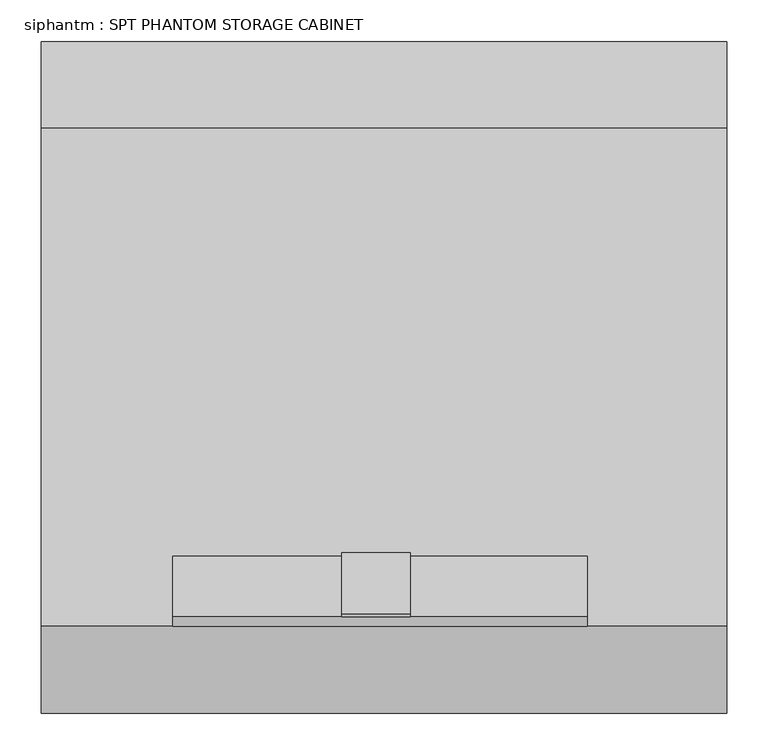
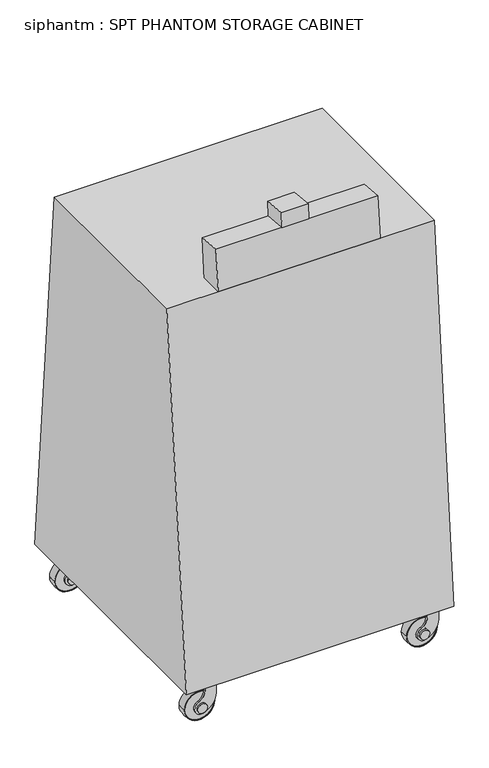
"""IFC4 building model written with IfcOpenShell, lengths in millimetres: proxy geometry, siphantm : SPT PHANTOM STORAGE CABINET."""

from ifc_helpers import new_model, si_unit, point, frame, frame_2d, origin, place, context, project, spatial, polyline, circle_curve, ellipse_curve, trimmed, segment, composite_curve, outline, extrude, source, transform, mapped, element, save
from ifc_brep_helpers import plane_surface, revolved_surface, advanced_brep


def siphantm_spt_phantom_storage_cabinet_1a4a9507(model_context):
    return source(origin(), model_context, "Body", "SolidModel", [
        advanced_brep(
        [(625.2749648, -755.1448474, 48.0465135), (718.8870429, -755.1448474, 48.0465135), (718.8870429, -783.1448474, 48.0465135), (625.2749648, -783.1448474, 48.0465135), (627.0810038, -783.1448474, 48.0465135), (717.0810038, -783.1448474, 48.0465135), (717.0810038, -755.1448474, 48.0465135), (627.0810038, -755.1448474, 48.0465135)],
        [
            (0, 1, circle_curve(frame((672.0810038, -755.1448474, 48.0465135), z_axis=(0.0, -1.0, 0.0), x_axis=(1.0, 0.0, 0.0)), 46.8060391)),
            (1, 2, circle_curve(frame((640.5052509, -769.1448474, 48.0465135), z_axis=(0.0, 0.0, -1.0), x_axis=(-1.0, 0.0, 0.0)), 79.6222664)),
            (2, 3, circle_curve(frame((672.0810038, -783.1448474, 48.0465135), z_axis=(0.0, 1.0, 0.0), x_axis=(1.0, 0.0, 0.0)), 46.8060391)),
            (3, 0, circle_curve(frame((703.6567568, -769.1448474, 48.0465135), z_axis=(0.0, 0.0, -1.0), x_axis=(1.0, 0.0, 0.0)), 79.6222664)),
            (4, 5, circle_curve(frame((672.0810038, -783.1448474, 48.0465135), z_axis=(0.0, -1.0, 0.0), x_axis=(1.0, 0.0, 0.0)), 45.0)),
            (5, 6),
            (6, 7, circle_curve(frame((672.0810038, -755.1448474, 48.0465135), z_axis=(0.0, 1.0, 0.0), x_axis=(1.0, 0.0, 0.0)), 45.0)),
            (7, 4),
            (2, 3, circle_curve(frame((672.0810038, -783.1448474, 48.0465135), z_axis=(0.0, -1.0, 0.0), x_axis=(-1.0, 0.0, 0.0)), 46.8060391)),
            (4, 5, circle_curve(frame((672.0810038, -783.1448474, 48.0465135), z_axis=(0.0, 1.0, 0.0), x_axis=(-1.0, 0.0, 0.0)), 45.0)),
            (1, 0, circle_curve(frame((672.0810038, -755.1448474, 48.0465135), z_axis=(0.0, -1.0, 0.0), x_axis=(-1.0, 0.0, 0.0)), 46.8060391)),
            (6, 7, circle_curve(frame((672.0810038, -755.1448474, 48.0465135), z_axis=(0.0, -1.0, 0.0), x_axis=(-1.0, 0.0, 0.0)), 45.0)),
        ],
        [
            revolved_surface(trimmed(ellipse_curve(frame((640.5052509, -769.1448474, 48.0465135), z_axis=(0.0, 0.0, 1.0), x_axis=(-1.0, 0.0, 0.0)), 79.6222664, 79.6222664), [point((718.8870429, -783.1448474, 48.0465135))], [point((718.8870429, -755.1448474, 48.0465135))], True, "CARTESIAN"), (672.0810038, -762.6220561, 48.0465135), (0.0, 1.0, 0.0)),
            revolved_surface(polyline([(717.0810038, -755.1448474, 48.0465135), (717.0810038, -783.1448474, 48.0465135)]), (672.0810038, -762.6220561, 48.0465135), (0.0, 1.0, 0.0)),
            plane_surface(frame((672.0810038, -783.1448474, 48.0465135), z_axis=(0.0, -1.0, 0.0), x_axis=(-1.0, 0.0, 0.0))),
            revolved_surface(trimmed(ellipse_curve(frame((703.6567568, -769.1448474, 48.0465135), z_axis=(0.0, 0.0, -1.0), x_axis=(1.0, 0.0, 0.0)), 79.6222664, 79.6222664), [point((625.2749648, -783.1448474, 48.0465135))], [point((625.2749648, -755.1448474, 48.0465135))], True, "CARTESIAN"), (672.0810038, -762.6220561, 48.0465135), (0.0, 1.0, 0.0)),
            plane_surface(frame((672.0810038, -755.1448474, 48.0465135), z_axis=(0.0, 1.0, 0.0), x_axis=(-1.0, 0.0, 0.0))),
            revolved_surface(polyline([(627.0810038, -755.1448474, 48.0465135), (627.0810038, -783.1448474, 48.0465135)]), (672.0810038, -762.6220561, 48.0465135), (0.0, 1.0, 0.0)),
        ],
        [
            (0, [[1, 2, 3, 4]]),
            (1, [[5, 6, 7, 8]]),
            (2, [[9, -3], [10, -5]]),
            (3, [[11, -4, -9, -2]]),
            (4, [[-11, -1], [12, -7]]),
            (5, [[-10, -8, -12, -6]]),
        ],
    ),
        extrude(outline(composite_curve([segment(polyline([(29.163577, 681.2698399), (34.2439835, 690.0693622)]), True, "CONTINUOUS"), segment(trimmed(circle_curve(frame_2d((81.8753807, 662.5693622)), 55.0), [point((34.2439835, 690.0693622))], [point((81.8753807, 717.5693622))], False, "CARTESIAN"), True, "CONTINUOUS"), segment(polyline([(81.8753807, 717.5693622), (125.0465135, 717.5693622), (125.0465135, 682.5693622), (99.3530944, 682.5693622)]), True, "CONTINUOUS"), segment(trimmed(circle_curve(frame_2d((99.3530944, 644.9207414)), 37.6486207), [point((99.3530944, 682.5693622))], [point((68.1369892, 665.9676751))], True, "CARTESIAN"), True, "CONTINUOUS"), segment(trimmed(circle_curve(frame_2d((48.0465135, 672.0810038)), 21.0), [point((68.1369892, 665.9676751))], [point((29.163577, 681.2698399))], False, "CARTESIAN"), True, "CONTINUOUS")], self_intersect=False)), frame((0.0, -794.1220561, 0.0), z_axis=(0.0, 1.0, 0.0), x_axis=(0.0, 0.0, 1.0)), (0.0, 0.0, 1.0), 6.0),
        extrude(outline(polyline([(717.5693622, -750.1220561), (717.5693622, -788.1220561), (682.5693622, -788.1220561), (682.5693622, -750.1220561), (717.5693622, -750.1220561)])), frame((0.0, 0.0, 119.0465135), z_axis=(0.0, 0.0, 1.0), x_axis=(1.0, 0.0, 0.0)), (0.0, 0.0, 1.0), 6.0),
        extrude(outline(composite_curve([segment(polyline([(29.163577, 681.2698399), (34.2439835, 690.0693622)]), True, "CONTINUOUS"), segment(trimmed(circle_curve(frame_2d((81.8753807, 662.5693622)), 55.0), [point((34.2439835, 690.0693622))], [point((81.8753807, 717.5693622))], False, "CARTESIAN"), True, "CONTINUOUS"), segment(polyline([(81.8753807, 717.5693622), (125.0465135, 717.5693622), (125.0465135, 682.5693622), (99.3530944, 682.5693622)]), True, "CONTINUOUS"), segment(trimmed(circle_curve(frame_2d((99.3530944, 644.9207414)), 37.6486207), [point((99.3530944, 682.5693622))], [point((68.1369892, 665.9676751))], True, "CARTESIAN"), True, "CONTINUOUS"), segment(trimmed(circle_curve(frame_2d((48.0465135, 672.0810038)), 21.0), [point((68.1369892, 665.9676751))], [point((29.163577, 681.2698399))], False, "CARTESIAN"), True, "CONTINUOUS")], self_intersect=False)), frame((0.0, -750.1220561, 0.0), z_axis=(0.0, 1.0, 0.0), x_axis=(0.0, 0.0, 1.0)), (0.0, 0.0, 1.0), 6.0),
        extrude(outline(composite_curve([segment(trimmed(circle_curve(frame_2d((48.0465135, 672.0810038)), 15.0), [point((48.0465135, 687.0810038))], [point((48.0465135, 657.0810038))], False, "CARTESIAN"), True, "CONTINUOUS"), segment(trimmed(circle_curve(frame_2d((48.0465135, 672.0810038)), 15.0), [point((48.0465135, 657.0810038))], [point((48.0465135, 687.0810038))], False, "CARTESIAN"), True, "CONTINUOUS")], self_intersect=False)), frame((0.0, -800.1220561, 0.0), z_axis=(0.0, 1.0, 0.0), x_axis=(0.0, 0.0, 1.0)), (0.0, 0.0, 1.0), 62.0),
        extrude(outline(composite_curve([segment(trimmed(circle_curve(frame_2d((48.0465135, 672.0810038)), 45.0), [point((48.0465135, 717.0810038))], [point((48.0465135, 627.0810038))], False, "CARTESIAN"), True, "CONTINUOUS"), segment(trimmed(circle_curve(frame_2d((48.0465135, 672.0810038)), 45.0), [point((48.0465135, 627.0810038))], [point((48.0465135, 717.0810038))], False, "CARTESIAN"), True, "CONTINUOUS")], self_intersect=False)), frame((0.0, -781.6220561, 0.0), z_axis=(0.0, 1.0, 0.0), x_axis=(0.0, 0.0, 1.0)), (0.0, 0.0, 1.0), 25.0),
        advanced_brep(
        [(625.2749648, -62.9948474, 48.0465135), (718.8870429, -62.9948474, 48.0465135), (718.8870429, -90.9948474, 48.0465135), (625.2749648, -90.9948474, 48.0465135), (627.0810038, -90.9948474, 48.0465135), (717.0810038, -90.9948474, 48.0465135), (717.0810038, -62.9948474, 48.0465135), (627.0810038, -62.9948474, 48.0465135)],
        [
            (0, 1, circle_curve(frame((672.0810038, -62.9948474, 48.0465135), z_axis=(0.0, -1.0, 0.0), x_axis=(1.0, 0.0, 0.0)), 46.8060391)),
            (1, 2, circle_curve(frame((640.5052509, -76.9948474, 48.0465135), z_axis=(0.0, 0.0, -1.0), x_axis=(-1.0, 0.0, 0.0)), 79.6222664)),
            (2, 3, circle_curve(frame((672.0810038, -90.9948474, 48.0465135), z_axis=(0.0, 1.0, 0.0), x_axis=(1.0, 0.0, 0.0)), 46.8060391)),
            (3, 0, circle_curve(frame((703.6567568, -76.9948474, 48.0465135), z_axis=(0.0, 0.0, -1.0), x_axis=(1.0, 0.0, 0.0)), 79.6222664)),
            (4, 5, circle_curve(frame((672.0810038, -90.9948474, 48.0465135), z_axis=(0.0, -1.0, 0.0), x_axis=(1.0, 0.0, 0.0)), 45.0)),
            (5, 6),
            (6, 7, circle_curve(frame((672.0810038, -62.9948474, 48.0465135), z_axis=(0.0, 1.0, 0.0), x_axis=(1.0, 0.0, 0.0)), 45.0)),
            (7, 4),
            (2, 3, circle_curve(frame((672.0810038, -90.9948474, 48.0465135), z_axis=(0.0, -1.0, 0.0), x_axis=(-1.0, 0.0, 0.0)), 46.8060391)),
            (4, 5, circle_curve(frame((672.0810038, -90.9948474, 48.0465135), z_axis=(0.0, 1.0, 0.0), x_axis=(-1.0, 0.0, 0.0)), 45.0)),
            (1, 0, circle_curve(frame((672.0810038, -62.9948474, 48.0465135), z_axis=(0.0, -1.0, 0.0), x_axis=(-1.0, 0.0, 0.0)), 46.8060391)),
            (6, 7, circle_curve(frame((672.0810038, -62.9948474, 48.0465135), z_axis=(0.0, -1.0, 0.0), x_axis=(-1.0, 0.0, 0.0)), 45.0)),
        ],
        [
            revolved_surface(trimmed(ellipse_curve(frame((640.5052509, -76.9948474, 48.0465135), z_axis=(0.0, 0.0, 1.0), x_axis=(-1.0, 0.0, 0.0)), 79.6222664, 79.6222664), [point((718.8870429, -90.9948474, 48.0465135))], [point((718.8870429, -62.9948474, 48.0465135))], True, "CARTESIAN"), (672.0810038, -70.4720561, 48.0465135), (0.0, 1.0, 0.0)),
            revolved_surface(polyline([(717.0810038, -62.9948474, 48.0465135), (717.0810038, -90.9948474, 48.0465135)]), (672.0810038, -70.4720561, 48.0465135), (0.0, 1.0, 0.0)),
            plane_surface(frame((672.0810038, -90.9948474, 48.0465135), z_axis=(0.0, -1.0, 0.0), x_axis=(-1.0, 0.0, 0.0))),
            revolved_surface(trimmed(ellipse_curve(frame((703.6567568, -76.9948474, 48.0465135), z_axis=(0.0, 0.0, -1.0), x_axis=(1.0, 0.0, 0.0)), 79.6222664, 79.6222664), [point((625.2749648, -90.9948474, 48.0465135))], [point((625.2749648, -62.9948474, 48.0465135))], True, "CARTESIAN"), (672.0810038, -70.4720561, 48.0465135), (0.0, 1.0, 0.0)),
            plane_surface(frame((672.0810038, -62.9948474, 48.0465135), z_axis=(0.0, 1.0, 0.0), x_axis=(-1.0, 0.0, 0.0))),
            revolved_surface(polyline([(627.0810038, -62.9948474, 48.0465135), (627.0810038, -90.9948474, 48.0465135)]), (672.0810038, -70.4720561, 48.0465135), (0.0, 1.0, 0.0)),
        ],
        [
            (0, [[1, 2, 3, 4]]),
            (1, [[5, 6, 7, 8]]),
            (2, [[9, -3], [10, -5]]),
            (3, [[11, -4, -9, -2]]),
            (4, [[-11, -1], [12, -7]]),
            (5, [[-10, -8, -12, -6]]),
        ],
    ),
        extrude(outline(composite_curve([segment(polyline([(29.163577, 681.2698399), (34.2439835, 690.0693622)]), True, "CONTINUOUS"), segment(trimmed(circle_curve(frame_2d((81.8753807, 662.5693622)), 55.0), [point((34.2439835, 690.0693622))], [point((81.8753807, 717.5693622))], False, "CARTESIAN"), True, "CONTINUOUS"), segment(polyline([(81.8753807, 717.5693622), (125.0465135, 717.5693622), (125.0465135, 682.5693622), (99.3530944, 682.5693622)]), True, "CONTINUOUS"), segment(trimmed(circle_curve(frame_2d((99.3530944, 644.9207414)), 37.6486207), [point((99.3530944, 682.5693622))], [point((68.1369892, 665.9676751))], True, "CARTESIAN"), True, "CONTINUOUS"), segment(trimmed(circle_curve(frame_2d((48.0465135, 672.0810038)), 21.0), [point((68.1369892, 665.9676751))], [point((29.163577, 681.2698399))], False, "CARTESIAN"), True, "CONTINUOUS")], self_intersect=False)), frame((0.0, -101.9720561, 0.0), z_axis=(0.0, 1.0, 0.0), x_axis=(0.0, 0.0, 1.0)), (0.0, 0.0, 1.0), 6.0),
        extrude(outline(polyline([(717.5693622, -57.9720561), (717.5693622, -95.9720561), (682.5693622, -95.9720561), (682.5693622, -57.9720561), (717.5693622, -57.9720561)])), frame((0.0, 0.0, 119.0465135), z_axis=(0.0, 0.0, 1.0), x_axis=(1.0, 0.0, 0.0)), (0.0, 0.0, 1.0), 6.0),
        extrude(outline(composite_curve([segment(polyline([(29.163577, 681.2698399), (34.2439835, 690.0693622)]), True, "CONTINUOUS"), segment(trimmed(circle_curve(frame_2d((81.8753807, 662.5693622)), 55.0), [point((34.2439835, 690.0693622))], [point((81.8753807, 717.5693622))], False, "CARTESIAN"), True, "CONTINUOUS"), segment(polyline([(81.8753807, 717.5693622), (125.0465135, 717.5693622), (125.0465135, 682.5693622), (99.3530944, 682.5693622)]), True, "CONTINUOUS"), segment(trimmed(circle_curve(frame_2d((99.3530944, 644.9207414)), 37.6486207), [point((99.3530944, 682.5693622))], [point((68.1369892, 665.9676751))], True, "CARTESIAN"), True, "CONTINUOUS"), segment(trimmed(circle_curve(frame_2d((48.0465135, 672.0810038)), 21.0), [point((68.1369892, 665.9676751))], [point((29.163577, 681.2698399))], False, "CARTESIAN"), True, "CONTINUOUS")], self_intersect=False)), frame((0.0, -57.9720561, 0.0), z_axis=(0.0, 1.0, 0.0), x_axis=(0.0, 0.0, 1.0)), (0.0, 0.0, 1.0), 6.0),
        extrude(outline(composite_curve([segment(trimmed(circle_curve(frame_2d((48.0465135, 672.0810038)), 15.0), [point((48.0465135, 687.0810038))], [point((48.0465135, 657.0810038))], False, "CARTESIAN"), True, "CONTINUOUS"), segment(trimmed(circle_curve(frame_2d((48.0465135, 672.0810038)), 15.0), [point((48.0465135, 657.0810038))], [point((48.0465135, 687.0810038))], False, "CARTESIAN"), True, "CONTINUOUS")], self_intersect=False)), frame((0.0, -107.9720561, 0.0), z_axis=(0.0, 1.0, 0.0), x_axis=(0.0, 0.0, 1.0)), (0.0, 0.0, 1.0), 62.0),
        extrude(outline(composite_curve([segment(trimmed(circle_curve(frame_2d((48.0465135, 672.0810038)), 45.0), [point((48.0465135, 717.0810038))], [point((48.0465135, 627.0810038))], False, "CARTESIAN"), True, "CONTINUOUS"), segment(trimmed(circle_curve(frame_2d((48.0465135, 672.0810038)), 45.0), [point((48.0465135, 627.0810038))], [point((48.0465135, 717.0810038))], False, "CARTESIAN"), True, "CONTINUOUS")], self_intersect=False)), frame((0.0, -89.4720561, 0.0), z_axis=(0.0, 1.0, 0.0), x_axis=(0.0, 0.0, 1.0)), (0.0, 0.0, 1.0), 25.0),
        advanced_brep(
        [(-60.5250352, -755.1448474, 48.0465135), (33.0870429, -755.1448474, 48.0465135), (33.0870429, -783.1448474, 48.0465135), (-60.5250352, -783.1448474, 48.0465135), (-58.7189962, -783.1448474, 48.0465135), (31.2810038, -783.1448474, 48.0465135), (31.2810038, -755.1448474, 48.0465135), (-58.7189962, -755.1448474, 48.0465135)],
        [
            (0, 1, circle_curve(frame((-13.7189962, -755.1448474, 48.0465135), z_axis=(0.0, -1.0, 0.0), x_axis=(1.0, 0.0, 0.0)), 46.8060391)),
            (1, 2, circle_curve(frame((-45.2947491, -769.1448474, 48.0465135), z_axis=(0.0, 0.0, -1.0), x_axis=(-1.0, 0.0, 0.0)), 79.6222664)),
            (2, 3, circle_curve(frame((-13.7189962, -783.1448474, 48.0465135), z_axis=(0.0, 1.0, 0.0), x_axis=(1.0, 0.0, 0.0)), 46.8060391)),
            (3, 0, circle_curve(frame((17.8567568, -769.1448474, 48.0465135), z_axis=(0.0, 0.0, -1.0), x_axis=(1.0, 0.0, 0.0)), 79.6222664)),
            (4, 5, circle_curve(frame((-13.7189962, -783.1448474, 48.0465135), z_axis=(0.0, -1.0, 0.0), x_axis=(1.0, 0.0, 0.0)), 45.0)),
            (5, 6),
            (6, 7, circle_curve(frame((-13.7189962, -755.1448474, 48.0465135), z_axis=(0.0, 1.0, 0.0), x_axis=(1.0, 0.0, 0.0)), 45.0)),
            (7, 4),
            (2, 3, circle_curve(frame((-13.7189962, -783.1448474, 48.0465135), z_axis=(0.0, -1.0, 0.0), x_axis=(-1.0, 0.0, 0.0)), 46.8060391)),
            (4, 5, circle_curve(frame((-13.7189962, -783.1448474, 48.0465135), z_axis=(0.0, 1.0, 0.0), x_axis=(-1.0, 0.0, 0.0)), 45.0)),
            (1, 0, circle_curve(frame((-13.7189962, -755.1448474, 48.0465135), z_axis=(0.0, -1.0, 0.0), x_axis=(-1.0, 0.0, 0.0)), 46.8060391)),
            (6, 7, circle_curve(frame((-13.7189962, -755.1448474, 48.0465135), z_axis=(0.0, -1.0, 0.0), x_axis=(-1.0, 0.0, 0.0)), 45.0)),
        ],
        [
            revolved_surface(trimmed(ellipse_curve(frame((-45.2947491, -769.1448474, 48.0465135), z_axis=(0.0, 0.0, 1.0), x_axis=(-1.0, 0.0, 0.0)), 79.6222664, 79.6222664), [point((33.0870429, -783.1448474, 48.0465135))], [point((33.0870429, -755.1448474, 48.0465135))], True, "CARTESIAN"), (-13.7189962, -762.6220561, 48.0465135), (0.0, 1.0, 0.0)),
            revolved_surface(polyline([(31.2810038, -755.1448474, 48.0465135), (31.2810038, -783.1448474, 48.0465135)]), (-13.7189962, -762.6220561, 48.0465135), (0.0, 1.0, 0.0)),
            plane_surface(frame((-13.7189962, -783.1448474, 48.0465135), z_axis=(0.0, -1.0, 0.0), x_axis=(-1.0, 0.0, 0.0))),
            revolved_surface(trimmed(ellipse_curve(frame((17.8567568, -769.1448474, 48.0465135), z_axis=(0.0, 0.0, -1.0), x_axis=(1.0, 0.0, 0.0)), 79.6222664, 79.6222664), [point((-60.5250352, -783.1448474, 48.0465135))], [point((-60.5250352, -755.1448474, 48.0465135))], True, "CARTESIAN"), (-13.7189962, -762.6220561, 48.0465135), (0.0, 1.0, 0.0)),
            plane_surface(frame((-13.7189962, -755.1448474, 48.0465135), z_axis=(0.0, 1.0, 0.0), x_axis=(-1.0, 0.0, 0.0))),
            revolved_surface(polyline([(-58.7189962, -755.1448474, 48.0465135), (-58.7189962, -783.1448474, 48.0465135)]), (-13.7189962, -762.6220561, 48.0465135), (0.0, 1.0, 0.0)),
        ],
        [
            (0, [[1, 2, 3, 4]]),
            (1, [[5, 6, 7, 8]]),
            (2, [[9, -3], [10, -5]]),
            (3, [[11, -4, -9, -2]]),
            (4, [[-11, -1], [12, -7]]),
            (5, [[-10, -8, -12, -6]]),
        ],
    ),
        extrude(outline(composite_curve([segment(polyline([(29.163577, -4.5301601), (34.2439835, 4.2693622)]), True, "CONTINUOUS"), segment(trimmed(circle_curve(frame_2d((81.8753807, -23.2306378)), 55.0), [point((34.2439835, 4.2693622))], [point((81.8753807, 31.7693622))], False, "CARTESIAN"), True, "CONTINUOUS"), segment(polyline([(81.8753807, 31.7693622), (125.0465135, 31.7693622), (125.0465135, -3.2306378), (99.3530944, -3.2306378)]), True, "CONTINUOUS"), segment(trimmed(circle_curve(frame_2d((99.3530944, -40.8792586)), 37.6486207), [point((99.3530944, -3.2306378))], [point((68.1369892, -19.8323249))], True, "CARTESIAN"), True, "CONTINUOUS"), segment(trimmed(circle_curve(frame_2d((48.0465135, -13.7189962)), 21.0), [point((68.1369892, -19.8323249))], [point((29.163577, -4.5301601))], False, "CARTESIAN"), True, "CONTINUOUS")], self_intersect=False)), frame((0.0, -794.1220561, 0.0), z_axis=(0.0, 1.0, 0.0), x_axis=(0.0, 0.0, 1.0)), (0.0, 0.0, 1.0), 6.0),
        extrude(outline(polyline([(31.7693622, -750.1220561), (31.7693622, -788.1220561), (-3.2306378, -788.1220561), (-3.2306378, -750.1220561), (31.7693622, -750.1220561)])), frame((0.0, 0.0, 119.0465135), z_axis=(0.0, 0.0, 1.0), x_axis=(1.0, 0.0, 0.0)), (0.0, 0.0, 1.0), 6.0),
        extrude(outline(composite_curve([segment(polyline([(29.163577, -4.5301601), (34.2439835, 4.2693622)]), True, "CONTINUOUS"), segment(trimmed(circle_curve(frame_2d((81.8753807, -23.2306378)), 55.0), [point((34.2439835, 4.2693622))], [point((81.8753807, 31.7693622))], False, "CARTESIAN"), True, "CONTINUOUS"), segment(polyline([(81.8753807, 31.7693622), (125.0465135, 31.7693622), (125.0465135, -3.2306378), (99.3530944, -3.2306378)]), True, "CONTINUOUS"), segment(trimmed(circle_curve(frame_2d((99.3530944, -40.8792586)), 37.6486207), [point((99.3530944, -3.2306378))], [point((68.1369892, -19.8323249))], True, "CARTESIAN"), True, "CONTINUOUS"), segment(trimmed(circle_curve(frame_2d((48.0465135, -13.7189962)), 21.0), [point((68.1369892, -19.8323249))], [point((29.163577, -4.5301601))], False, "CARTESIAN"), True, "CONTINUOUS")], self_intersect=False)), frame((0.0, -750.1220561, 0.0), z_axis=(0.0, 1.0, 0.0), x_axis=(0.0, 0.0, 1.0)), (0.0, 0.0, 1.0), 6.0),
        extrude(outline(composite_curve([segment(trimmed(circle_curve(frame_2d((48.0465135, -13.7189962)), 15.0), [point((48.0465135, 1.2810038))], [point((48.0465135, -28.7189962))], False, "CARTESIAN"), True, "CONTINUOUS"), segment(trimmed(circle_curve(frame_2d((48.0465135, -13.7189962)), 15.0), [point((48.0465135, -28.7189962))], [point((48.0465135, 1.2810038))], False, "CARTESIAN"), True, "CONTINUOUS")], self_intersect=False)), frame((0.0, -800.1220561, 0.0), z_axis=(0.0, 1.0, 0.0), x_axis=(0.0, 0.0, 1.0)), (0.0, 0.0, 1.0), 62.0),
        extrude(outline(composite_curve([segment(trimmed(circle_curve(frame_2d((48.0465135, -13.7189962)), 45.0), [point((48.0465135, 31.2810038))], [point((48.0465135, -58.7189962))], False, "CARTESIAN"), True, "CONTINUOUS"), segment(trimmed(circle_curve(frame_2d((48.0465135, -13.7189962)), 45.0), [point((48.0465135, -58.7189962))], [point((48.0465135, 31.2810038))], False, "CARTESIAN"), True, "CONTINUOUS")], self_intersect=False)), frame((0.0, -781.6220561, 0.0), z_axis=(0.0, 1.0, 0.0), x_axis=(0.0, 0.0, 1.0)), (0.0, 0.0, 1.0), 25.0),
        advanced_brep(
        [(-60.5250352, -62.9948474, 48.0465135), (33.0870429, -62.9948474, 48.0465135), (33.0870429, -90.9948474, 48.0465135), (-60.5250352, -90.9948474, 48.0465135), (-58.7189962, -90.9948474, 48.0465135), (31.2810038, -90.9948474, 48.0465135), (31.2810038, -62.9948474, 48.0465135), (-58.7189962, -62.9948474, 48.0465135)],
        [
            (0, 1, circle_curve(frame((-13.7189962, -62.9948474, 48.0465135), z_axis=(0.0, -1.0, 0.0), x_axis=(1.0, 0.0, 0.0)), 46.8060391)),
            (1, 2, circle_curve(frame((-45.2947491, -76.9948474, 48.0465135), z_axis=(0.0, 0.0, -1.0), x_axis=(-1.0, 0.0, 0.0)), 79.6222664)),
            (2, 3, circle_curve(frame((-13.7189962, -90.9948474, 48.0465135), z_axis=(0.0, 1.0, 0.0), x_axis=(1.0, 0.0, 0.0)), 46.8060391)),
            (3, 0, circle_curve(frame((17.8567568, -76.9948474, 48.0465135), z_axis=(0.0, 0.0, -1.0), x_axis=(1.0, 0.0, 0.0)), 79.6222664)),
            (4, 5, circle_curve(frame((-13.7189962, -90.9948474, 48.0465135), z_axis=(0.0, -1.0, 0.0), x_axis=(1.0, 0.0, 0.0)), 45.0)),
            (5, 6),
            (6, 7, circle_curve(frame((-13.7189962, -62.9948474, 48.0465135), z_axis=(0.0, 1.0, 0.0), x_axis=(1.0, 0.0, 0.0)), 45.0)),
            (7, 4),
            (2, 3, circle_curve(frame((-13.7189962, -90.9948474, 48.0465135), z_axis=(0.0, -1.0, 0.0), x_axis=(-1.0, 0.0, 0.0)), 46.8060391)),
            (4, 5, circle_curve(frame((-13.7189962, -90.9948474, 48.0465135), z_axis=(0.0, 1.0, 0.0), x_axis=(-1.0, 0.0, 0.0)), 45.0)),
            (1, 0, circle_curve(frame((-13.7189962, -62.9948474, 48.0465135), z_axis=(0.0, -1.0, 0.0), x_axis=(-1.0, 0.0, 0.0)), 46.8060391)),
            (6, 7, circle_curve(frame((-13.7189962, -62.9948474, 48.0465135), z_axis=(0.0, -1.0, 0.0), x_axis=(-1.0, 0.0, 0.0)), 45.0)),
        ],
        [
            revolved_surface(trimmed(ellipse_curve(frame((-45.2947491, -76.9948474, 48.0465135), z_axis=(0.0, 0.0, 1.0), x_axis=(-1.0, 0.0, 0.0)), 79.6222664, 79.6222664), [point((33.0870429, -90.9948474, 48.0465135))], [point((33.0870429, -62.9948474, 48.0465135))], True, "CARTESIAN"), (-13.7189962, -70.4720561, 48.0465135), (0.0, 1.0, 0.0)),
            revolved_surface(polyline([(31.2810038, -62.9948474, 48.0465135), (31.2810038, -90.9948474, 48.0465135)]), (-13.7189962, -70.4720561, 48.0465135), (0.0, 1.0, 0.0)),
            plane_surface(frame((-13.7189962, -90.9948474, 48.0465135), z_axis=(0.0, -1.0, 0.0), x_axis=(-1.0, 0.0, 0.0))),
            revolved_surface(trimmed(ellipse_curve(frame((17.8567568, -76.9948474, 48.0465135), z_axis=(0.0, 0.0, -1.0), x_axis=(1.0, 0.0, 0.0)), 79.6222664, 79.6222664), [point((-60.5250352, -90.9948474, 48.0465135))], [point((-60.5250352, -62.9948474, 48.0465135))], True, "CARTESIAN"), (-13.7189962, -70.4720561, 48.0465135), (0.0, 1.0, 0.0)),
            plane_surface(frame((-13.7189962, -62.9948474, 48.0465135), z_axis=(0.0, 1.0, 0.0), x_axis=(-1.0, 0.0, 0.0))),
            revolved_surface(polyline([(-58.7189962, -62.9948474, 48.0465135), (-58.7189962, -90.9948474, 48.0465135)]), (-13.7189962, -70.4720561, 48.0465135), (0.0, 1.0, 0.0)),
        ],
        [
            (0, [[1, 2, 3, 4]]),
            (1, [[5, 6, 7, 8]]),
            (2, [[9, -3], [10, -5]]),
            (3, [[11, -4, -9, -2]]),
            (4, [[-11, -1], [12, -7]]),
            (5, [[-10, -8, -12, -6]]),
        ],
    ),
        extrude(outline(composite_curve([segment(polyline([(29.163577, -4.5301601), (34.2439835, 4.2693622)]), True, "CONTINUOUS"), segment(trimmed(circle_curve(frame_2d((81.8753807, -23.2306378)), 55.0), [point((34.2439835, 4.2693622))], [point((81.8753807, 31.7693622))], False, "CARTESIAN"), True, "CONTINUOUS"), segment(polyline([(81.8753807, 31.7693622), (125.0465135, 31.7693622), (125.0465135, -3.2306378), (99.3530944, -3.2306378)]), True, "CONTINUOUS"), segment(trimmed(circle_curve(frame_2d((99.3530944, -40.8792586)), 37.6486207), [point((99.3530944, -3.2306378))], [point((68.1369892, -19.8323249))], True, "CARTESIAN"), True, "CONTINUOUS"), segment(trimmed(circle_curve(frame_2d((48.0465135, -13.7189962)), 21.0), [point((68.1369892, -19.8323249))], [point((29.163577, -4.5301601))], False, "CARTESIAN"), True, "CONTINUOUS")], self_intersect=False)), frame((0.0, -101.9720561, 0.0), z_axis=(0.0, 1.0, 0.0), x_axis=(0.0, 0.0, 1.0)), (0.0, 0.0, 1.0), 6.0),
        extrude(outline(polyline([(31.7693622, -57.9720561), (31.7693622, -95.9720561), (-3.2306378, -95.9720561), (-3.2306378, -57.9720561), (31.7693622, -57.9720561)])), frame((0.0, 0.0, 119.0465135), z_axis=(0.0, 0.0, 1.0), x_axis=(1.0, 0.0, 0.0)), (0.0, 0.0, 1.0), 6.0),
        extrude(outline(composite_curve([segment(polyline([(29.163577, -4.5301601), (34.2439835, 4.2693622)]), True, "CONTINUOUS"), segment(trimmed(circle_curve(frame_2d((81.8753807, -23.2306378)), 55.0), [point((34.2439835, 4.2693622))], [point((81.8753807, 31.7693622))], False, "CARTESIAN"), True, "CONTINUOUS"), segment(polyline([(81.8753807, 31.7693622), (125.0465135, 31.7693622), (125.0465135, -3.2306378), (99.3530944, -3.2306378)]), True, "CONTINUOUS"), segment(trimmed(circle_curve(frame_2d((99.3530944, -40.8792586)), 37.6486207), [point((99.3530944, -3.2306378))], [point((68.1369892, -19.8323249))], True, "CARTESIAN"), True, "CONTINUOUS"), segment(trimmed(circle_curve(frame_2d((48.0465135, -13.7189962)), 21.0), [point((68.1369892, -19.8323249))], [point((29.163577, -4.5301601))], False, "CARTESIAN"), True, "CONTINUOUS")], self_intersect=False)), frame((0.0, -57.9720561, 0.0), z_axis=(0.0, 1.0, 0.0), x_axis=(0.0, 0.0, 1.0)), (0.0, 0.0, 1.0), 6.0),
        extrude(outline(composite_curve([segment(trimmed(circle_curve(frame_2d((48.0465135, -13.7189962)), 15.0), [point((48.0465135, 1.2810038))], [point((48.0465135, -28.7189962))], False, "CARTESIAN"), True, "CONTINUOUS"), segment(trimmed(circle_curve(frame_2d((48.0465135, -13.7189962)), 15.0), [point((48.0465135, -28.7189962))], [point((48.0465135, 1.2810038))], False, "CARTESIAN"), True, "CONTINUOUS")], self_intersect=False)), frame((0.0, -107.9720561, 0.0), z_axis=(0.0, 1.0, 0.0), x_axis=(0.0, 0.0, 1.0)), (0.0, 0.0, 1.0), 62.0),
        extrude(outline(composite_curve([segment(trimmed(circle_curve(frame_2d((48.0465135, -13.7189962)), 45.0), [point((48.0465135, 31.2810038))], [point((48.0465135, -58.7189962))], False, "CARTESIAN"), True, "CONTINUOUS"), segment(trimmed(circle_curve(frame_2d((48.0465135, -13.7189962)), 45.0), [point((48.0465135, -58.7189962))], [point((48.0465135, 31.2810038))], False, "CARTESIAN"), True, "CONTINUOUS")], self_intersect=False)), frame((0.0, -89.4720561, 0.0), z_axis=(0.0, 1.0, 0.0), x_axis=(0.0, 0.0, 1.0)), (0.0, 0.0, 1.0), 25.0),
        extrude(outline(polyline([(0.0, -82.55), (0.0, 0.0), (73.5586554, 0.0), (73.5586554, -82.55), (0.0, -82.55)])), frame((287.3661914, -702.192777, 1452.1011844), z_axis=(0.0, 0.08715574274765946, 0.9961946980917454), x_axis=(0.0, 0.9961946980917454, -0.08715574274765946)), (0.0, 0.0, 1.0), 45.8127845),
        extrude(outline(polyline([(0.0, -499.5925869), (0.0, 0.0), (73.5586554, 0.0), (73.5586554, -499.5925869), (0.0, -499.5925869)])), frame((83.5605687, -713.6254021, 1321.4256821), z_axis=(0.0, 0.08715574274765849, 0.9961946980917455), x_axis=(0.0, 0.9961946980917455, -0.08715574274765849)), (0.0, 0.0, 1.0), 131.1746615),
        extrude(outline(polyline([(-713.6254021, 1321.4256821), (-113.4187101, 1321.4256821), (-8.7490956, 125.0465135), (-818.2950166, 125.0465135), (-713.6254021, 1321.4256821)])), frame((-74.6306378, 0.0, 0.0), z_axis=(1.0, 0.0, 0.0), x_axis=(0.0, 1.0, 0.0)), (0.0, 0.0, 1.0), 825.5),
    ])


if __name__ == "__main__":
    model = new_model("IFC4")
    model_context = context("Model", 3, world=origin())
    ifc_project = project(units=[si_unit("LENGTHUNIT", "METRE", prefix="MILLI")], contexts=[model_context])
    site = spatial("IfcSite", under=ifc_project)
    building = spatial("IfcBuilding", under=site)
    placement = place(None, origin())
    siphantm_spt_phantom_storage_cabinet_shape = siphantm_spt_phantom_storage_cabinet_1a4a9507(model_context)
    element("IfcBuildingElementProxy", 1, Name="siphantm : SPT PHANTOM STORAGE CABINET", ObjectType="siphantm : SPT PHANTOM STORAGE CABINET", at=placement, inside=building, context=model_context, shape_type="MappedRepresentation", body=[
        mapped(siphantm_spt_phantom_storage_cabinet_shape, transform((0.0, 0.0, 0.0), x_axis=(1.0, 0.0, 0.0), y_axis=(0.0, 1.0, 0.0), z_axis=(0.0, 0.0, 1.0))),
    ])
    save(model, "model.ifc")
